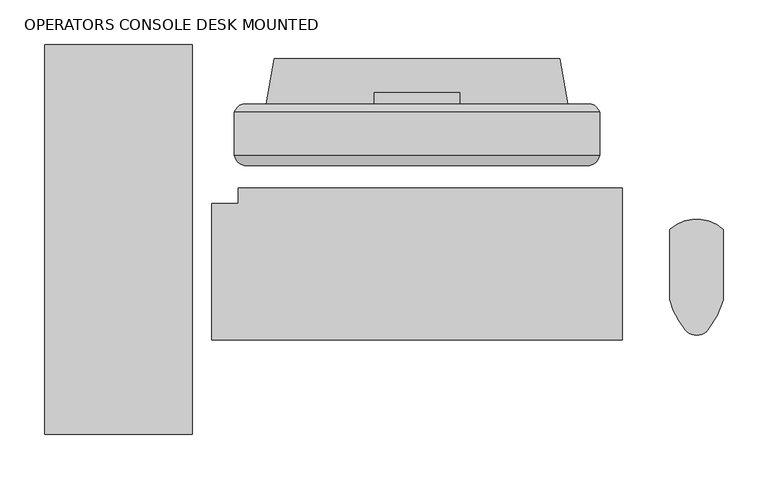
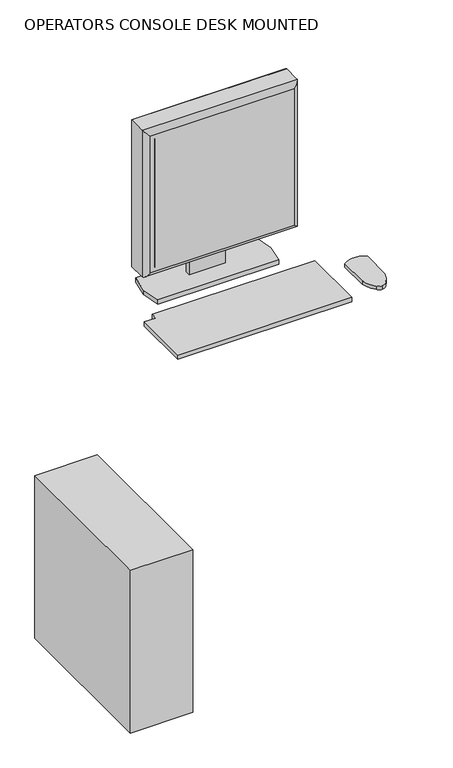
"""IFC4 building model written with IfcOpenShell, lengths in millimetres: proxy geometry, OPERATORS CONSOLE DESK MOUNTED."""

from ifc_helpers import new_model, si_unit, point, frame, frame_2d, origin, origin_with_axes, place, context, project, spatial, polyline, circle_curve, ellipse_curve, trimmed, segment, composite_curve, outline, extrude, source, transform, mapped, element, save
from ifc_brep_helpers import plane_surface, cylinder_surface, advanced_brep


def operators_console_desk_mounted_34b4de40(model_context):
    return source(origin(), model_context, "Body", "SolidModel", [
        advanced_brep(
        [(-170.0458982, -231.5198527, 1419.86), (-170.0458982, -274.6505334, 1419.86), (-170.0458982, -279.6475762, 1419.86), (238.8941018, -279.6475762, 1419.86), (238.8941018, -274.6505334, 1419.86), (238.8941018, -231.5198527, 1419.86), (238.8941018, -231.5198527, 1010.2963264), (238.8941018, -274.6505334, 1010.2963264), (238.8941018, -279.6475762, 1010.2963264), (-170.0458982, -279.6475762, 1010.2963264), (-170.0458982, -274.6505334, 1010.2963264), (-170.0458982, -231.5198527, 1010.2963264), (-160.8082622, -222.2822167, 1019.5339624), (-160.8082622, -222.2822167, 1410.622364), (229.6564658, -222.2822167, 1410.622364), (229.6564658, -222.2822167, 1019.5339624), (-155.8817376, -291.5318937, 1405.694569), (-155.8817376, -291.5318937, 1024.4617574), (224.7286708, -291.5318937, 1024.460487), (224.7299412, -291.5318937, 1405.694569)],
        [
            (0, 1),
            (1, 2),
            (2, 3),
            (3, 4),
            (4, 5),
            (5, 0),
            (6, 7),
            (7, 8),
            (8, 9),
            (9, 10),
            (10, 11),
            (11, 6),
            (12, 13),
            (13, 14),
            (14, 15),
            (15, 12),
            (0, 11),
            (9, 2),
            (16, 17),
            (17, 18),
            (18, 19),
            (19, 16),
            (3, 8),
            (6, 5),
            (12, 11, ellipse_curve(frame((-153.9312099, -238.396905, 1026.4110147), z_axis=(-0.7071067811865452, 0.0, 0.7071067811865498), x_axis=(-0.7071067811865498, 0.0, -0.7071067811865452)), 24.7780962, 17.5207599)),
            (0, 13, ellipse_curve(frame((-153.9312099, -238.396905, 1403.7453117), z_axis=(-0.7071067811865498, 0.0, -0.7071067811865452), x_axis=(0.7071067811865452, 0.0, -0.7071067811865498)), 24.7780962, 17.5207599)),
            (16, 2, ellipse_curve(frame((-155.8817376, -277.1490548, 1405.6958394), z_axis=(-0.7071067811865498, 0.0, -0.7071067811865452), x_axis=(0.7071067811865452, 0.0, -0.7071067811865498)), 20.3404059, 14.3828389)),
            (9, 17, ellipse_curve(frame((-155.8817376, -277.1490548, 1024.460487), z_axis=(-0.7071067811865452, 0.0, 0.7071067811865498), x_axis=(-0.7071067811865498, 0.0, -0.7071067811865452)), 20.3404059, 14.3828389)),
            (15, 6, ellipse_curve(frame((222.7794135, -238.396905, 1026.4110147), z_axis=(-0.7071067811865498, 0.0, -0.7071067811865452), x_axis=(0.7071067811865452, 0.0, -0.7071067811865497)), 24.7780962, 17.5207599)),
            (8, 18, ellipse_curve(frame((224.7299412, -277.1490548, 1024.460487), z_axis=(-0.7071067811865498, 0.0, -0.7071067811865452), x_axis=(0.7071067811865452, 0.0, -0.7071067811865497)), 20.3404059, 14.3828389)),
            (14, 5, ellipse_curve(frame((222.7794135, -238.396905, 1403.7453117), z_axis=(0.7071067811865452, 0.0, -0.7071067811865498), x_axis=(0.7071067811865498, 0.0, 0.7071067811865452)), 24.7780962, 17.5207599)),
            (3, 19, ellipse_curve(frame((224.7299412, -277.1490548, 1405.6958394), z_axis=(0.7071067811865452, 0.0, -0.7071067811865498), x_axis=(0.7071067811865498, 0.0, 0.7071067811865452)), 20.3404059, 14.3828389)),
        ],
        [
            plane_surface(frame((-164.9658982, -222.2822167, 1419.86), z_axis=(0.0, 0.0, 1.0), x_axis=(-1.0, 0.0, 0.0))),
            plane_surface(frame((-164.9658982, -222.2822167, 1010.2963264), z_axis=(0.0, 0.0, -1.0), x_axis=(1.0, 0.0, 0.0))),
            plane_surface(frame((238.8941018, -222.2822167, 1419.86), z_axis=(0.0, 1.0, 0.0), x_axis=(0.0, 0.0, -1.0))),
            plane_surface(frame((-170.0458982, -222.2822167, 1419.86), z_axis=(-1.0, 0.0, 0.0), x_axis=(0.0, 0.0, -1.0))),
            plane_surface(frame((-170.0458982, -291.5318937, 1419.86), z_axis=(0.0, -1.0, 0.0), x_axis=(0.0, 0.0, -1.0))),
            plane_surface(frame((238.8941018, -291.5318937, 1419.86), z_axis=(1.0, 0.0, 0.0), x_axis=(0.0, 0.0, -1.0))),
            cylinder_surface(frame((-153.9312099, -238.396905, 1419.86), z_axis=(0.0, 0.0, -1.0), x_axis=(0.0, 1.0, 0.0)), 17.5207599),
            cylinder_surface(frame((-155.8817376, -277.1490548, 1419.86), z_axis=(0.0, 0.0, -1.0), x_axis=(0.0, 1.0, 0.0)), 14.3828389),
            cylinder_surface(frame((-170.0458982, -238.396905, 1026.4110147), z_axis=(1.0, 0.0, 0.0), x_axis=(0.0, 1.0, 0.0)), 17.5207599),
            cylinder_surface(frame((-170.0458982, -277.1490548, 1024.460487), z_axis=(1.0, 0.0, 0.0), x_axis=(0.0, 1.0, 0.0)), 14.3828389),
            cylinder_surface(frame((222.7794135, -238.396905, 1010.2963264), z_axis=(0.0, 0.0, 1.0), x_axis=(0.0, 1.0, 0.0)), 17.5207599),
            cylinder_surface(frame((224.7299412, -277.1490548, 1010.2963264), z_axis=(0.0, 0.0, 1.0), x_axis=(0.0, 1.0, 0.0)), 14.3828389),
            cylinder_surface(frame((238.8941018, -238.396905, 1403.7453117), z_axis=(-1.0, 0.0, 0.0), x_axis=(0.0, 1.0, 0.0)), 17.5207599),
            cylinder_surface(frame((238.8941018, -277.1490548, 1405.6958394), z_axis=(-1.0, 0.0, 0.0), x_axis=(0.0, 1.0, 0.0)), 14.3828389),
        ],
        [
            (0, [[1, 2, 3, 4, 5, 6]]),
            (1, [[7, 8, 9, 10, 11, 12]]),
            (2, [[13, 14, 15, 16]]),
            (3, [[-1, 17, -11, -10, 18, -2]]),
            (4, [[19, 20, 21, 22]]),
            (5, [[-5, -4, 23, -8, -7, 24]]),
            (6, [[25, -17, 26, -13]]),
            (7, [[27, -18, 28, -19]]),
            (8, [[-25, -16, 29, -12]]),
            (9, [[30, -20, -28, -9]]),
            (10, [[-29, -15, 31, -24]]),
            (11, [[32, -21, -30, -23]]),
            (12, [[-26, -6, -31, -14]]),
            (13, [[-27, -22, -32, -3]]),
        ],
    ),
        extrude(outline(polyline([(-144.6458982, -285.6181146), (213.4941018, -285.6181146), (213.4941018, -291.5318937), (-144.6458982, -291.5318937), (-144.6458982, -285.6181146)])), frame((0.0, 0.0, 1035.6963264), z_axis=(0.0, 0.0, 1.0), x_axis=(1.0, 0.0, 0.0)), (0.0, 0.0, 1.0), 358.7636736),
        extrude(outline(polyline([(-222.2822167, 1236.2794056), (-209.6010455, 1236.2794056), (-209.6010455, 926.6153731), (-222.2822167, 926.6153731), (-222.2822167, 1006.8339624), (-219.5449843, 1006.8339624), (-219.5449843, 1019.5339624), (-222.2822167, 1019.5339624), (-222.2822167, 1236.2794056)])), frame((-13.2008982, 0.0, 0.0), z_axis=(1.0, 0.0, 0.0), x_axis=(0.0, 1.0, 0.0)), (0.0, 0.0, 1.0), 95.25),
        extrude(outline(polyline([(-382.3094453, -592.1679245), (-382.3094453, -155.8365645), (-217.1840053, -155.8365645), (-217.1840053, -592.1679245), (-382.3094453, -592.1679245)])), origin_with_axes(), (0.0, 0.0, 1.0), 454.66),
        extrude(outline(composite_curve([segment(trimmed(circle_curve(frame_2d((286.5049601, -416.1802197)), 94.2691324), [point((377.2758255, -441.6226905))], [point((359.9513068, -475.2759343))], False, "CARTESIAN"), True, "CONTINUOUS"), segment(trimmed(circle_curve(frame_2d((347.0761563, -464.9164508)), 16.5253865), [point((359.9513068, -475.2759343))], [point((347.3683297, -481.4392542))], False, "CARTESIAN"), True, "CONTINUOUS"), segment(trimmed(circle_curve(frame_2d((347.0957814, -466.0262747)), 15.4153891), [point((347.3683297, -481.4392542))], [point((334.7754121, -475.2914095))], False, "CARTESIAN"), True, "CONTINUOUS"), segment(trimmed(circle_curve(frame_2d((398.5847686, -421.0357243)), 83.7574674), [point((334.7754121, -475.2914095))], [point((317.3611415, -441.4816467))], False, "CARTESIAN"), True, "CONTINUOUS"), segment(polyline([(317.3611415, -441.4816467), (317.3611415, -362.6276182)]), True, "CONTINUOUS"), segment(trimmed(circle_curve(frame_2d((347.2873125, -397.3709508)), 45.8549329), [point((317.3611415, -362.6276182))], [point((377.2758255, -362.6814141))], False, "CARTESIAN"), True, "CONTINUOUS"), segment(polyline([(377.2758255, -362.6814141), (377.2758255, -441.6226905)]), True, "CONTINUOUS")], self_intersect=False)), frame((0.0, 0.0, 917.3133962), z_axis=(0.0, 0.0, 1.0), x_axis=(1.0, 0.0, 0.0)), (0.0, 0.0, 1.0), 9.3019768),
        extrude(outline(polyline([(-134.2318982, -222.2822167), (-125.0878982, -171.2282167), (193.9361018, -171.2282167), (203.0801018, -222.2822167), (193.9361018, -273.3362167), (-125.0878982, -273.3362167), (-134.2318982, -222.2822167)])), frame((0.0, 0.0, 914.4), z_axis=(0.0, 0.0, 1.0), x_axis=(1.0, 0.0, 0.0)), (0.0, 0.0, 1.0), 12.2153731),
        extrude(outline(polyline([(264.4204314, -316.5884841), (264.4204314, -486.7749213), (-195.4038828, -486.7749213), (-195.4038828, -333.6145891), (-165.4317325, -333.6145891), (-165.4317325, -316.5884841), (264.4204314, -316.5884841)])), frame((0.0, 0.0, 914.4), z_axis=(0.0, 0.0, 1.0), x_axis=(1.0, 0.0, 0.0)), (0.0, 0.0, 1.0), 12.2153731),
    ])


if __name__ == "__main__":
    model = new_model("IFC4")
    model_context = context("Model", 3, world=origin())
    ifc_project = project(units=[si_unit("LENGTHUNIT", "METRE", prefix="MILLI")], contexts=[model_context])
    site = spatial("IfcSite", under=ifc_project)
    building = spatial("IfcBuilding", under=site)
    placement = place(None, origin())
    operators_console_desk_mounted_shape = operators_console_desk_mounted_34b4de40(model_context)
    element("IfcBuildingElementProxy", 1, Name="OPERATORS CONSOLE DESK MOUNTED", ObjectType="OPERATORS CONSOLE DESK MOUNTED", at=placement, inside=building, context=model_context, shape_type="MappedRepresentation", body=[
        mapped(operators_console_desk_mounted_shape, transform((0.0, 0.0, 0.0), x_axis=(1.0, 0.0, 0.0), y_axis=(0.0, 1.0, 0.0), z_axis=(0.0, 0.0, 1.0))),
    ])
    save(model, "model.ifc")
